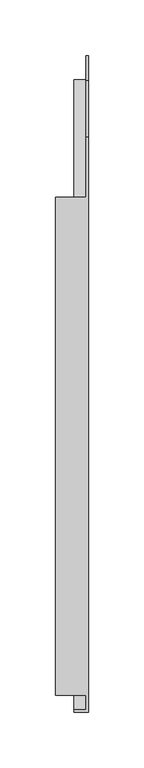
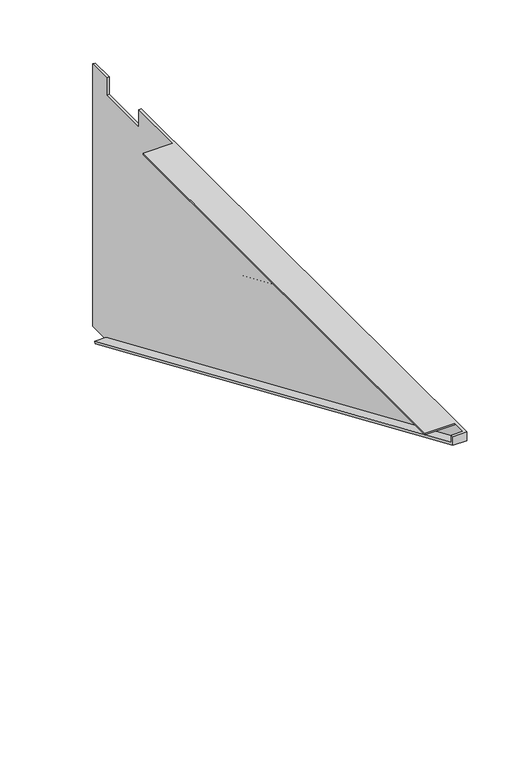
"""IFC4 building model written with IfcOpenShell, lengths in millimetres: furniture geometry."""

from ifc_helpers import new_model, si_unit, origin, place, context, project, spatial, faceted_brep, source, transform, mapped, element, save


def furniture_71394cf5(model_context):
    return source(origin(), model_context, "Body", "Brep", [
        faceted_brep([(-23.1179687, 211.9808613, 706.4121), (-23.1179687, -235.0589776, 706.4121), (4.0676512, -235.0589776, 706.4121), (4.0676512, -247.8023206, 706.4121), (-6.35, -247.8023206, 706.4121), (-6.35, -250.0807006, 706.4121), (6.35, -250.0807006, 706.4121), (6.35, 265.9558598, 706.4121), (4.0676512, 265.9558598, 706.4121), (4.0676512, 211.9808613, 706.4121), (-23.1179687, -235.0589776, 704.8881015), (-23.1179687, 211.9808613, 704.8881015), (4.0676512, 211.9808613, 704.8881015), (4.0676512, -235.0589776, 704.8881015), (6.3460312, -250.0807006, 697.8209238), (6.3460312, 316.7558601, 452.4121), (6.3460312, 338.9808594, 452.4121), (6.3460312, 338.9808594, 706.4121), (6.3460312, 316.7558601, 706.4121), (6.3460312, 316.7558601, 689.4456937), (6.3460312, 265.9558598, 689.4456937), (4.0676512, 265.9558598, 689.4456937), (4.0676512, 316.7558601, 689.4456937), (4.0676512, 316.7558601, 706.4121), (4.0676512, 338.9808594, 706.4121), (4.0676512, 338.9808594, 452.4121), (4.0676512, 316.7558601, 452.4121), (4.0676512, 317.6610766, 454.5029368), (4.0676512, -247.8023206, 699.3172569), (-6.35, -247.8023206, 699.3172569), (-6.35, 317.6610766, 454.5029368), (-6.35, -250.0807006, 697.8209238), (-6.35, 316.7558601, 452.4121)], [[[0, 1, 2, 3, 4, 5, 6, 7, 8, 9]], [[10, 11, 12, 13]], [[11, 0, 9, 12]], [[1, 0, 11, 10]], [[1, 10, 13, 2]], [[7, 6, 14, 15, 16, 17, 18, 19, 20]], [[8, 21, 22, 23, 24, 25, 26, 27, 28, 3, 2, 13, 12, 9]], [[21, 8, 7, 20]], [[22, 21, 20, 19]], [[23, 22, 19, 18]], [[24, 23, 18, 17]], [[25, 24, 17, 16]], [[26, 25, 16, 15]], [[29, 28, 27, 30]], [[4, 3, 28, 29]], [[31, 32, 26, 15, 14]], [[6, 5, 31, 14]], [[26, 32, 30, 27]], [[5, 4, 29, 30, 32, 31]]]),
        faceted_brep([(4.0676512, 265.9558598, 706.4121), (4.0676512, 265.9558598, 689.4456937), (4.0676512, 316.7558601, 689.4456937), (4.0676512, 316.7558601, 706.4121), (4.0676512, 338.9808594, 706.4121), (4.0676512, 338.9808594, 452.4121), (4.0676512, 316.7558601, 452.4121), (4.0676512, 317.6610766, 454.5029368), (4.0676512, -247.8023206, 699.3172569), (4.0676512, -247.8023206, 706.4121), (4.0676512, -235.0589776, 706.4121), (4.0676512, -235.0589776, 704.8881015), (4.0676512, 211.9808613, 704.8881015), (4.0676512, 211.9808613, 706.4121), (4.0676512, 316.7558601, 501.1246491), (4.0676512, -118.2213816, 689.4456937), (4.0676512, -146.382029, 689.4456937), (4.0676512, 316.7558601, 488.9326491), (4.0676512, 316.7558601, 564.6273317), (4.0676512, 28.454853, 689.4456937), (4.0676512, 0.2942056, 689.4456937), (4.0676512, 316.7558601, 552.4353317), (4.0676512, 316.7558601, 628.1300143), (4.0676512, 175.1310876, 689.4456937), (4.0676512, 146.9704402, 689.4456937), (4.0676512, 316.7558601, 615.9380143), (6.35, -250.0807006, 706.4121), (6.35, -250.0807006, 697.8209238), (6.35, 316.7558601, 452.4121), (6.35, 338.9808594, 452.4121), (6.35, 338.9808594, 706.4121), (6.35, 316.7558601, 706.4121), (6.35, 316.7558601, 689.4456937), (6.35, 265.9558598, 689.4456937), (6.35, 265.9558598, 706.4121), (6.35, -118.2213816, 689.4456937), (6.35, 316.7558601, 501.1246491), (6.35, 316.7558601, 488.9326491), (6.35, -146.382029, 689.4456937), (6.35, 28.454853, 689.4456937), (6.35, 316.7558601, 564.6273317), (6.35, 316.7558601, 552.4353317), (6.35, 0.2942056, 689.4456937), (6.35, 175.1310876, 689.4456937), (6.35, 316.7558601, 628.1300143), (6.35, 316.7558601, 615.9380143), (6.35, 146.9704402, 689.4456937), (-6.35, -250.0807006, 697.8209238), (-6.35, 316.7558601, 452.4121), (-23.1179687, 211.9808613, 706.4121), (-23.1179687, -235.0589776, 706.4121), (-6.35, -247.8023206, 706.4121), (-6.35, -250.0807006, 706.4121), (-23.1179687, -235.0589776, 704.8881015), (-23.1179687, 211.9808613, 704.8881015), (-6.35, -247.8023206, 699.3172569), (-6.35, 317.6610766, 454.5029368), (4.8614012, -118.2213816, 689.4456937), (4.8614012, 316.7558601, 501.1246491), (4.8614012, 316.7558601, 488.9326491), (4.8614012, -146.382029, 689.4456937), (4.8614012, 28.454853, 689.4456937), (4.8614012, 316.7558601, 564.6273317), (4.8614012, 316.7558601, 552.4353317), (4.8614012, 0.2942056, 689.4456937), (4.8614012, 175.1310876, 689.4456937), (4.8614012, 316.7558601, 628.1300143), (4.8614012, 316.7558601, 615.9380143), (4.8614012, 146.9704402, 689.4456937), (5.5522812, -118.2213816, 689.4456937), (5.5522812, -146.382029, 689.4456937), (5.5522812, 316.7558601, 488.9326491), (5.5522812, 316.7558601, 501.1246491), (5.5522812, 28.454853, 689.4456937), (5.5522812, 0.2942056, 689.4456937), (5.5522812, 316.7558601, 552.4353317), (5.5522812, 316.7558601, 564.6273317), (5.5522812, 175.1310876, 689.4456937), (5.5522812, 146.9704402, 689.4456937), (5.5522812, 316.7558601, 615.9380143), (5.5522812, 316.7558601, 628.1300143)], [[[0, 1, 2, 3, 4, 5, 6, 7, 8, 9, 10, 11, 12, 13], [14, 15, 16, 17], [18, 19, 20, 21], [22, 23, 24, 25]], [[26, 27, 28, 29, 30, 31, 32, 33, 34], [35, 36, 37, 38], [39, 40, 41, 42], [43, 44, 45, 46]], [[1, 0, 34, 33]], [[2, 1, 33, 32]], [[3, 2, 32, 31]], [[4, 3, 31, 30]], [[5, 4, 30, 29]], [[6, 5, 29, 28]], [[28, 27, 47, 48, 6]], [[34, 0, 13, 49, 50, 10, 9, 51, 52, 26]], [[53, 54, 12, 11]], [[54, 49, 13, 12]], [[54, 53, 50, 49]], [[50, 53, 11, 10]], [[27, 26, 52, 47]], [[55, 8, 7, 56]], [[51, 9, 8, 55]], [[57, 58, 59, 60]], [[61, 62, 63, 64]], [[65, 66, 67, 68]], [[58, 57, 15, 14]], [[59, 58, 14, 17]], [[60, 59, 17, 16]], [[57, 60, 16, 15]], [[62, 61, 19, 18]], [[63, 62, 18, 21]], [[64, 63, 21, 20]], [[61, 64, 20, 19]], [[66, 65, 23, 22]], [[67, 66, 22, 25]], [[68, 67, 25, 24]], [[65, 68, 24, 23]], [[69, 70, 71, 72]], [[73, 74, 75, 76]], [[77, 78, 79, 80]], [[69, 72, 36, 35]], [[72, 71, 37, 36]], [[71, 70, 38, 37]], [[70, 69, 35, 38]], [[73, 76, 40, 39]], [[76, 75, 41, 40]], [[75, 74, 42, 41]], [[74, 73, 39, 42]], [[77, 80, 44, 43]], [[80, 79, 45, 44]], [[79, 78, 46, 45]], [[78, 77, 43, 46]], [[6, 48, 56, 7]], [[52, 51, 55, 56, 48, 47]]]),
    ])


if __name__ == "__main__":
    model = new_model("IFC4")
    model_context = context("Model", 3, world=origin())
    ifc_project = project(units=[si_unit("LENGTHUNIT", "METRE", prefix="MILLI")], contexts=[model_context])
    site = spatial("IfcSite", under=ifc_project)
    building = spatial("IfcBuilding", under=site)
    placement = place(None, origin())
    furniture_shape = furniture_71394cf5(model_context)
    element("IfcFurniture", 1, at=placement, inside=building, context=model_context, shape_type="MappedRepresentation", body=[
        mapped(furniture_shape, transform((0.0, 0.0, 0.0), x_axis=(1.0, 0.0, 0.0), y_axis=(0.0, 1.0, 0.0), z_axis=(0.0, 0.0, 1.0))),
    ])
    save(model, "model.ifc")
